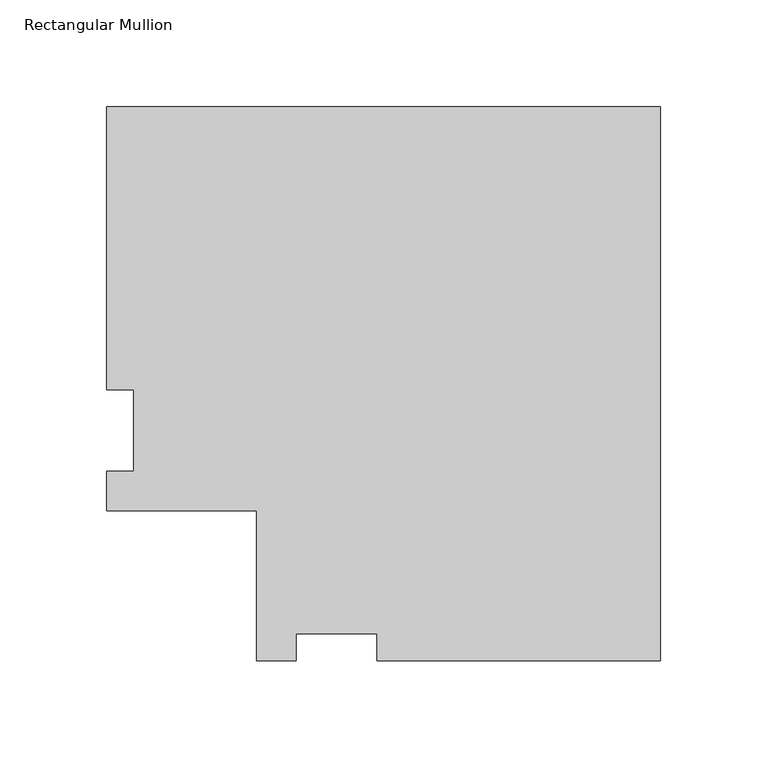
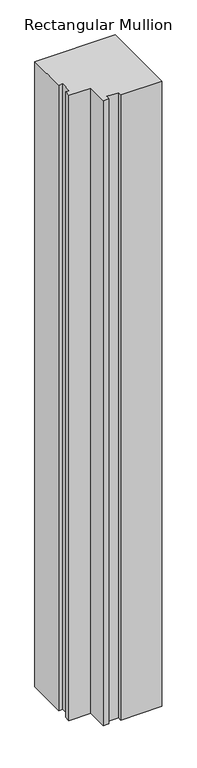
"""IFC4 building model written with IfcOpenShell, lengths in millimetres: member geometry, Rectangular Mullion."""

from ifc_helpers import new_model, si_unit, frame, origin, place, context, project, spatial, polyline, outline, extrude, source, transform, mapped, element, save


def rectangular_mullion_44ea6e73(model_context):
    return source(origin(), model_context, "Body", "SweptSolid", [
        extrude(outline(polyline([(0.0, 189.5975062), (0.0, -70.434883), (-132.9436, -70.434883), (-132.9436, -57.734883), (-171.0436, -57.734883), (-171.0436, -70.434883), (-189.5856, -70.434883), (-189.5856, 0.0119062), (-260.0323893, 0.0119062), (-260.0323893, 18.5539062), (-247.3323893, 18.5539062), (-247.3323893, 56.6539062), (-260.0323893, 56.6539062), (-260.0323893, 189.5975062), (0.0, 189.5975062)])), frame((0.0, 0.0, -2133.6), z_axis=(0.0, 0.0, 1.0), x_axis=(1.0, 0.0, 0.0)), (0.0, 0.0, 1.0), 2133.6),
    ])


if __name__ == "__main__":
    model = new_model("IFC4")
    model_context = context("Model", 3, world=origin())
    ifc_project = project(units=[si_unit("LENGTHUNIT", "METRE", prefix="MILLI")], contexts=[model_context])
    site = spatial("IfcSite", under=ifc_project)
    building = spatial("IfcBuilding", under=site)
    placement = place(None, origin())
    rectangular_mullion_shape = rectangular_mullion_44ea6e73(model_context)
    element("IfcMember", 1, ObjectType="Rectangular Mullion", at=placement, inside=building, context=model_context, shape_type="MappedRepresentation", body=[
        mapped(rectangular_mullion_shape, transform((0.0, 0.0, 0.0), x_axis=(1.0, 0.0, 0.0), y_axis=(0.0, 1.0, 0.0), z_axis=(0.0, 0.0, 1.0))),
    ])
    save(model, "model.ifc")
